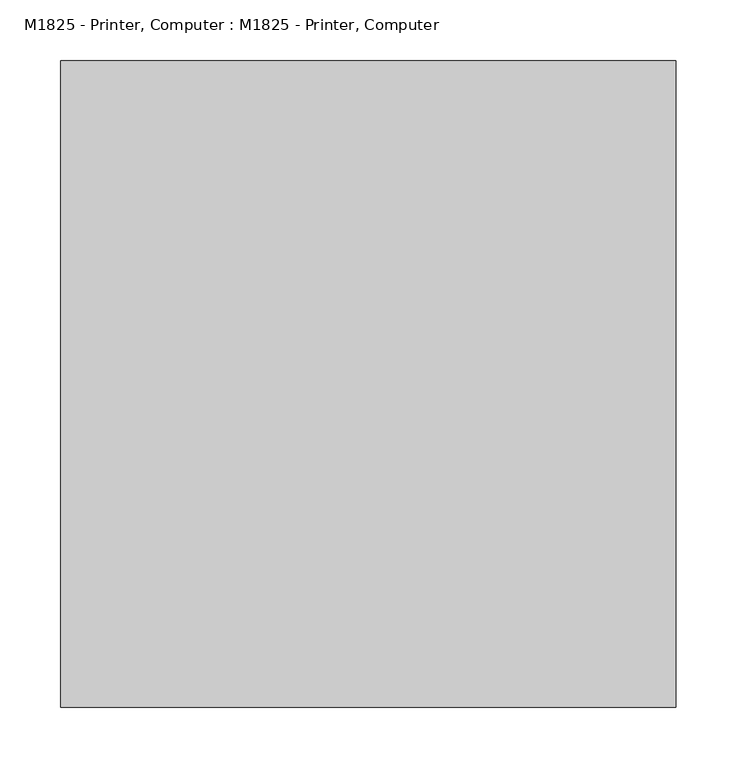
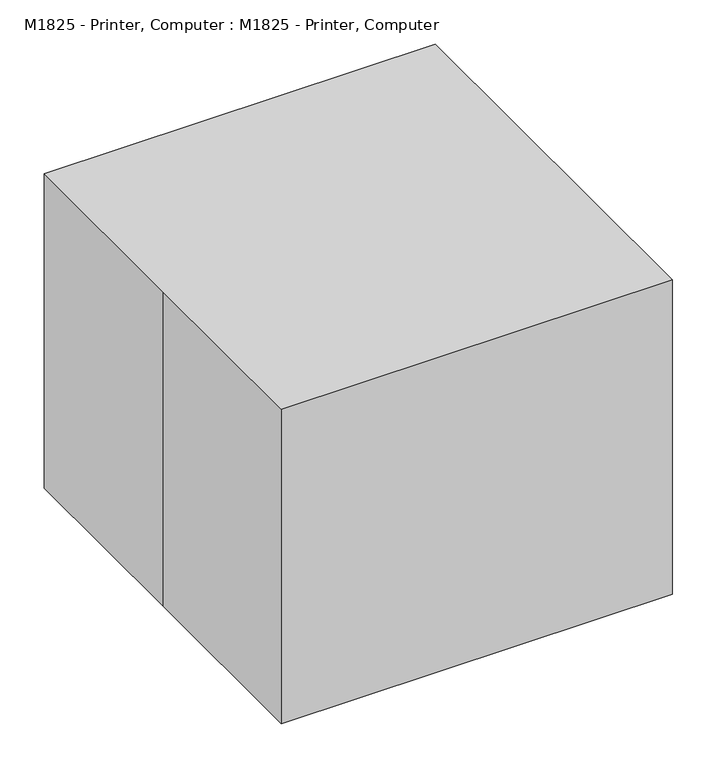
"""IFC4 building model written with IfcOpenShell, lengths in millimetres: proxy geometry, M1825 - Printer, Computer : M1825 - Printer, Computer."""

from ifc_helpers import new_model, si_unit, origin, origin_with_axes, place, context, project, spatial, polyline, outline, extrude, faceted_brep, source, transform, mapped, element, save


def m1825_printer_computer_m1825_printer_computer_fc716d7c(model_context):
    return source(origin(), model_context, "Body", "SolidModel", [
        faceted_brep([(215.9, 254.0, 355.6), (0.0, 254.0, 355.6), (0.0, -177.2046875, 355.6), (215.9, -177.2046875, 355.6), (-215.9, 254.0, 0.0), (215.9, 254.0, 0.0), (215.9, -177.2046875, 0.0), (-215.9, -177.2046875, 0.0), (-215.9, 254.0, 120.700198), (0.0, 254.0, 82.2650526), (0.0, 254.0, 177.8), (-215.9, 254.0, 177.8), (-215.9, 254.0, 322.8074523), (0.0, 254.0, 322.8074523), (-215.9, -177.2046875, 120.700198), (-215.9, 195.4931114, 322.8074523), (-215.9, -254.0, 177.8), (-215.9, -254.0, 254.0), (-215.9, -177.2046875, 254.0), (-215.9, -177.2046875, 322.8074523), (-215.9, -129.5796875, 322.8074523), (-215.9, -129.5796875, 254.0), (-215.9, 195.4931114, 254.0), (215.9, -254.0, 254.0), (215.9, -254.0, 177.8), (215.9, -177.2046875, 254.0), (215.9, -177.2046875, 177.8), (0.0, 195.4931114, 322.8074523), (0.0, -129.5796875, 322.8074523), (0.0, -177.2046875, 322.8074523), (0.0, 195.4931114, 254.0), (0.0, -129.5796875, 254.0), (0.0, -177.2046875, 177.8), (0.0, -177.2046875, 82.2650526)], [[[0, 1, 2, 3]], [[4, 5, 6, 7]], [[5, 4, 8, 9, 10, 11, 12, 13, 1, 0]], [[8, 4, 7, 14]], [[15, 12, 11, 16, 17, 18, 19, 20, 21, 22]], [[23, 17, 16, 24]], [[5, 0, 3, 25, 23, 24, 26, 6]], [[13, 12, 15, 27]], [[28, 20, 19, 29]], [[1, 13, 27, 30, 31, 28, 29, 2]], [[31, 21, 20, 28]], [[31, 30, 22, 21]], [[22, 30, 27, 15]], [[25, 18, 17, 23]], [[18, 25, 3, 2, 29, 19]], [[11, 10, 32, 26, 24, 16]], [[9, 8, 14, 33]], [[10, 9, 33, 32]], [[26, 32, 33, 14, 7, 6]]]),
        extrude(outline(polyline([(-254.0, 266.7), (254.0, 266.7), (254.0, -266.7), (-254.0, -266.7), (-254.0, 0.0), (-254.0, 266.7)])), origin_with_axes(), (0.0, 0.0, 1.0), 431.8),
    ])


if __name__ == "__main__":
    model = new_model("IFC4")
    model_context = context("Model", 3, world=origin())
    ifc_project = project(units=[si_unit("LENGTHUNIT", "METRE", prefix="MILLI")], contexts=[model_context])
    site = spatial("IfcSite", under=ifc_project)
    building = spatial("IfcBuilding", under=site)
    placement = place(None, origin())
    m1825_printer_computer_m1825_printer_computer_shape = m1825_printer_computer_m1825_printer_computer_fc716d7c(model_context)
    element("IfcBuildingElementProxy", 1, Name="M1825 - Printer, Computer : M1825 - Printer, Computer", ObjectType="M1825 - Printer, Computer : M1825 - Printer, Computer", at=placement, inside=building, context=model_context, shape_type="MappedRepresentation", body=[
        mapped(m1825_printer_computer_m1825_printer_computer_shape, transform((0.0, 0.0, 0.0), x_axis=(1.0, 0.0, 0.0), y_axis=(0.0, 1.0, 0.0), z_axis=(0.0, 0.0, 1.0))),
    ])
    save(model, "model.ifc")
